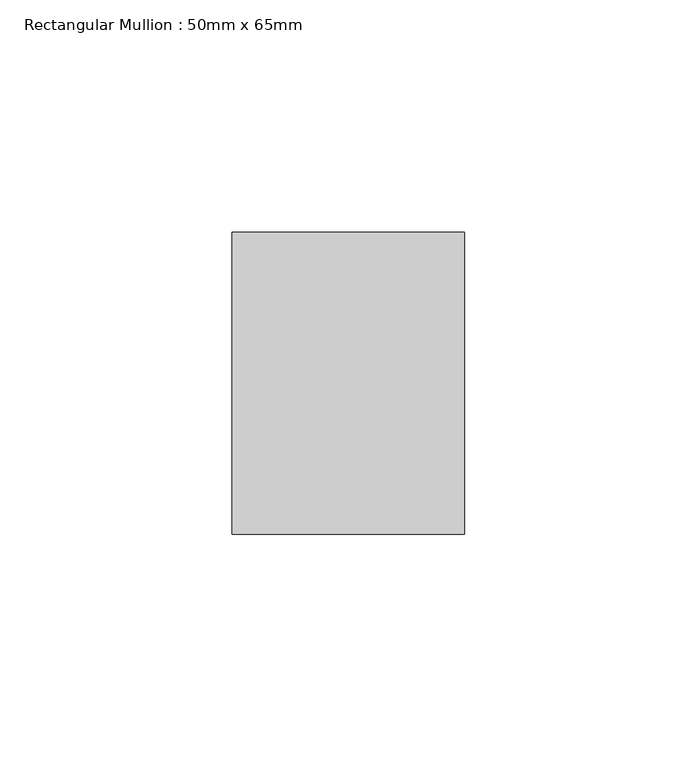
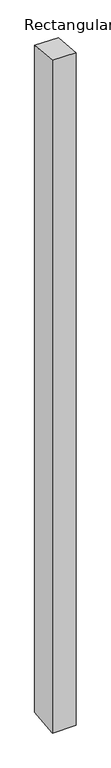
"""IFC4 building model written with IfcOpenShell, lengths in millimetres: member geometry, Rectangular Mullion : 50mm x 65mm."""

from ifc_helpers import new_model, si_unit, origin, place, context, project, spatial, faceted_brep, source, transform, mapped, element, save


def rectangular_mullion_50mm_x_65mm_47111c57(model_context):
    return source(origin(), model_context, "Body", "Brep", [
        faceted_brep([(-25.0, 32.5, -2.991152), (25.0, 32.5, -2.9911596), (25.0, 32.5, -1496.6283534), (-25.0, 32.5, -1496.628362), (-25.0, -32.5, 2.9911596), (-25.0, -32.5, -1503.371725), (25.0, -32.5, 2.991152), (25.0, -32.5, -1503.3717164)], [[[0, 1, 2, 3]], [[4, 0, 3, 5]], [[6, 4, 5, 7]], [[1, 6, 7, 2]], [[1, 0, 4, 6]], [[2, 7, 5, 3]]]),
    ])


if __name__ == "__main__":
    model = new_model("IFC4")
    model_context = context("Model", 3, world=origin())
    ifc_project = project(units=[si_unit("LENGTHUNIT", "METRE", prefix="MILLI")], contexts=[model_context])
    site = spatial("IfcSite", under=ifc_project)
    building = spatial("IfcBuilding", under=site)
    placement = place(None, origin())
    rectangular_mullion_50mm_x_65mm_shape = rectangular_mullion_50mm_x_65mm_47111c57(model_context)
    element("IfcMember", 1, ObjectType="Rectangular Mullion : 50mm x 65mm", at=placement, inside=building, context=model_context, shape_type="MappedRepresentation", body=[
        mapped(rectangular_mullion_50mm_x_65mm_shape, transform((0.0, 0.0, 0.0), x_axis=(1.0, 0.0, 0.0), y_axis=(0.0, 1.0, 0.0), z_axis=(0.0, 0.0, 1.0))),
    ])
    save(model, "model.ifc")
